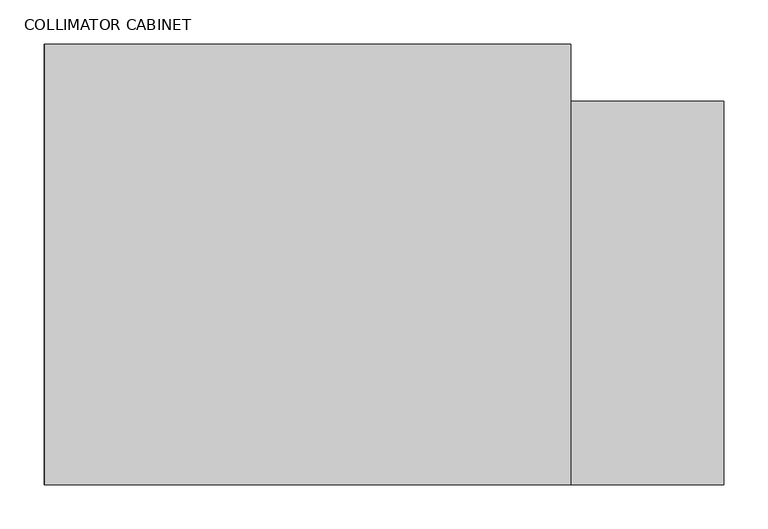
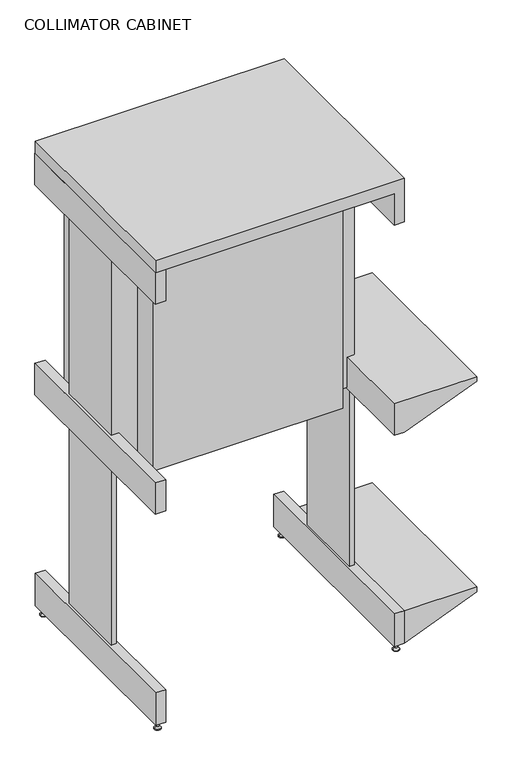
"""IFC4 building model written with IfcOpenShell, lengths in millimetres: proxy geometry, COLLIMATOR CABINET."""

from ifc_helpers import new_model, si_unit, frame, origin, place, context, project, spatial, polyline, circle_curve, outline, extrude, faceted_brep, source, transform, mapped, element, save
from ifc_brep_helpers import plane_surface, cylinder_surface, revolved_surface, advanced_brep


def collimator_cabinet_65d632b5(model_context):
    return source(origin(), model_context, "Body", "SolidModel", [
        advanced_brep(
        [(283.21, -487.68, 19.05), (289.56, -487.68, 19.05), (286.385, -487.68, 19.05), (283.21, -487.68, 6.35), (289.56, -487.68, 6.35), (278.7198719, -487.68, 1.8598719), (294.0501281, -487.68, 1.8598719), (278.7198719, -487.68, 0.0), (294.0501281, -487.68, 0.0), (286.385, -487.68, 0.0)],
        [
            (0, 1, circle_curve(frame((286.385, -487.68, 19.05), z_axis=(0.0, 0.0, 1.0), x_axis=(1.0, 0.0, 0.0)), 3.175)),
            (1, 2),
            (2, 0),
            (1, 0, circle_curve(frame((286.385, -487.68, 19.05), z_axis=(0.0, 0.0, 1.0), x_axis=(1.0, 0.0, 0.0)), 3.175)),
            (3, 4, circle_curve(frame((286.385, -487.68, 6.35), z_axis=(0.0, 0.0, 1.0), x_axis=(1.0, 0.0, 0.0)), 3.175)),
            (4, 1),
            (0, 3),
            (4, 3, circle_curve(frame((286.385, -487.68, 6.35), z_axis=(0.0, 0.0, 1.0), x_axis=(1.0, 0.0, 0.0)), 3.175)),
            (5, 6, circle_curve(frame((286.385, -487.68, 1.8598719), z_axis=(0.0, 0.0, 1.0), x_axis=(1.0, 0.0, 0.0)), 7.6651281)),
            (6, 4),
            (3, 5),
            (6, 5, circle_curve(frame((286.385, -487.68, 1.8598719), z_axis=(0.0, 0.0, 1.0), x_axis=(1.0, 0.0, 0.0)), 7.6651281)),
            (7, 8, circle_curve(frame((286.385, -487.68, 0.0), z_axis=(0.0, 0.0, 1.0), x_axis=(1.0, 0.0, 0.0)), 7.6651281)),
            (8, 6),
            (5, 7),
            (8, 7, circle_curve(frame((286.385, -487.68, 0.0), z_axis=(0.0, 0.0, 1.0), x_axis=(1.0, 0.0, 0.0)), 7.6651281)),
            (9, 8),
            (7, 9),
        ],
        [
            plane_surface(frame((286.385, -487.68, 19.05), z_axis=(0.0, 0.0, 1.0), x_axis=(1.0, 0.0, 0.0))),
            cylinder_surface(frame((286.385, -487.68, 21.5298437), z_axis=(0.0, 0.0, -1.0), x_axis=(1.0, 0.0, 0.0)), 3.175),
            revolved_surface(polyline([(289.56, -487.68, 6.35), (294.0501281, -487.68, 1.8598719)]), (286.385, -487.68, 21.5298437), (0.0, 0.0, -1.0)),
            cylinder_surface(frame((286.385, -487.68, 21.5298437), z_axis=(0.0, 0.0, -1.0), x_axis=(1.0, 0.0, 0.0)), 7.6651281),
            plane_surface(frame((286.385, -487.68, 0.0), z_axis=(0.0, 0.0, -1.0), x_axis=(1.0, 0.0, 0.0))),
        ],
        [
            (0, [[1, 2, 3]]),
            (0, [[4, -3, -2]]),
            (1, [[5, 6, -1, 7]]),
            (1, [[8, -7, -4, -6]]),
            (2, [[9, 10, -5, 11]]),
            (2, [[12, -11, -8, -10]]),
            (3, [[13, 14, -9, 15]]),
            (3, [[16, -15, -12, -14]]),
            (4, [[17, -13, 18]]),
            (4, [[-18, -16, -17]]),
        ],
    ),
        extrude(outline(polyline([(-274.32, -500.38), (-298.45, -500.38), (-298.45, 0.0), (-274.32, 0.0), (-274.32, -500.38)])), frame((0.0, 0.0, 19.05), z_axis=(0.0, 0.0, 1.0), x_axis=(1.0, 0.0, 0.0)), (0.0, 0.0, 1.0), 82.55),
        extrude(outline(polyline([(298.45, -500.38), (274.32, -500.38), (274.32, 0.0), (298.45, 0.0), (298.45, -500.38)])), frame((0.0, 0.0, 19.05), z_axis=(0.0, 0.0, 1.0), x_axis=(1.0, 0.0, 0.0)), (0.0, 0.0, 1.0), 82.55),
        faceted_brep([(473.075, -500.38, 101.6), (292.1, -500.38, 101.6), (292.1, -500.38, 19.05), (298.45, -500.38, 19.05), (473.075, -500.38, 88.9), (298.45, -500.38, 555.1912423), (473.075, -500.38, 622.3547038), (473.075, -500.38, 635.0), (274.32, -500.38, 635.0), (274.32, -500.38, 555.1912423), (473.075, -65.0494, 101.6), (473.075, -65.0494, 88.9), (298.45, -65.0494, 19.05), (292.1, -65.0494, 19.05), (292.1, -65.0494, 101.6), (473.075, -65.0494, 635.0), (473.075, -65.0494, 622.3547038), (298.45, -65.0494, 555.1912423), (298.463183, -65.0494, 635.0), (292.1, -129.7904998, 101.6), (292.1, -304.8, 101.6), (292.1, -304.8, 41.9421995), (292.1, -129.7904998, 41.9421995), (311.8066286, -76.2, 24.3926514), (311.8066286, -488.95, 24.3926514), (463.9163462, -488.95, 85.2365385), (463.9163462, -76.2, 85.2365385), (298.463183, 0.0, 635.0), (274.32, 0.0, 635.0), (274.32, -129.7904998, 635.0), (292.1, -129.7904998, 635.0), (292.1, -304.8, 635.0), (274.32, -304.8, 635.0), (274.32, 0.0, 555.1912423), (298.463183, 0.0, 555.1912423), (279.4, -304.8, 555.1912423), (292.1, -304.8, 555.1912423), (292.1, -129.7904998, 555.1912423), (279.4, -129.7904998, 555.1912423), (311.8066286, -76.2, 560.3284071), (311.8066286, -488.95, 560.3284071), (463.55, -488.95, 618.6912423), (463.55, -76.2, 618.6912423), (311.8066286, -76.2, 618.6912423), (311.8066286, -488.95, 618.6912423), (311.8066286, -76.2, 85.2365385), (311.8066286, -488.95, 85.2365385), (274.32, -304.8, 558.8), (274.32, -129.7904998, 558.8), (228.6, -304.8, 1168.4), (228.6, -304.8, 558.8), (292.1, -304.8, 1088.5912423), (274.32, -304.8, 1088.5912423), (274.32, -304.8, 1168.4), (279.4, -304.8, 41.9421995), (-292.1, -304.8, 48.18161), (-279.4, -304.8, 48.18161), (-279.4, -304.8, 552.45), (-228.6, -304.8, 552.45), (-228.6, -304.8, 1168.4), (-292.1, -304.8, 1168.4), (-292.1, -304.8, 635.0), (-274.32, -304.8, 635.0), (-274.32, -304.8, 555.1912423), (-292.1, -304.8, 555.1912423), (-228.6, -129.7904998, 1168.4), (-228.6, -129.7904998, 552.45), (-279.4, -129.7904998, 552.45), (-279.4, -129.7904998, 48.18161), (-292.1, -129.7904998, 48.18161), (-292.1, -129.7904998, 555.1912423), (-274.32, -129.7904998, 555.1912423), (-274.32, -129.7904998, 635.0), (-292.1, -129.7904998, 635.0), (-292.1, -129.7904998, 1168.4), (279.4, -129.7904998, 41.9421995), (228.6, -129.7904998, 558.8), (228.6, -129.7904998, 1168.4), (274.32, -129.7904998, 1168.4), (274.32, -129.7904998, 1088.5912423), (292.1, -129.7904998, 1088.5912423), (274.32, -500.38, 1168.4), (-298.45, -500.38, 1168.4), (-298.45, 0.0, 1168.4), (274.32, 0.0, 1168.4), (299.22723, -500.38, 1198.88), (-298.45, -500.38, 1198.88), (274.32, -500.38, 1088.5912423), (299.22723, -500.38, 1088.5912423), (299.22723, 0.0, 1088.5912423), (274.32, 0.0, 1088.5912423), (-298.45, 0.0, 1198.88), (299.22723, 0.0, 1198.88), (-274.32, 0.0, 555.1912423), (-274.32, 0.0, 635.0), (-274.32, -500.38, 635.0), (-274.32, -500.38, 555.1912423), (-299.22723, 0.0, 555.1912423), (-299.22723, -500.38, 555.1912423), (-299.22723, -500.38, 635.0), (-299.22723, 0.0, 635.0)], [[[0, 1, 2, 3, 4]], [[5, 6, 7, 8, 9]], [[10, 11, 12, 13, 14]], [[15, 16, 17, 18]], [[1, 0, 10, 14, 19, 20]], [[2, 1, 20, 21, 22, 19, 14, 13]], [[3, 2, 13, 12]], [[4, 3, 12, 11], [23, 24, 25, 26]], [[0, 4, 11, 10]], [[7, 15, 18, 27, 28, 29, 30, 31, 32, 8]], [[17, 5, 9, 33, 34], [35, 36, 37, 38]], [[6, 5, 17, 16], [39, 40, 41, 42]], [[7, 6, 16, 15]], [[43, 44, 40, 39]], [[45, 46, 24, 23]], [[40, 44, 41]], [[43, 39, 42]], [[44, 43, 42, 41]], [[24, 46, 25]], [[45, 23, 26]], [[46, 45, 26, 25]], [[33, 9, 8, 32, 47, 48, 29, 28]], [[34, 27, 18, 17]], [[33, 28, 27, 34]], [[49, 50, 47, 32, 31, 51, 52, 53]], [[54, 21, 20, 36, 35]], [[55, 56, 57, 58, 59, 60, 61, 62, 63, 64]], [[65, 66, 67, 68, 69, 70, 71, 72, 73, 74]], [[22, 75, 38, 37, 19]], [[76, 77, 78, 79, 80, 30, 29, 48]], [[77, 49, 53, 81, 82, 83, 84, 78], [59, 65, 74, 60]], [[50, 49, 77, 76]], [[50, 76, 48, 47]], [[75, 54, 35, 38]], [[21, 54, 75, 22]], [[31, 30, 80, 51]], [[36, 20, 19, 37]], [[60, 74, 73, 61]], [[69, 55, 64, 70]], [[56, 55, 69, 68]], [[57, 56, 68, 67]], [[58, 57, 67, 66]], [[59, 58, 66, 65]], [[85, 86, 82, 81, 87, 88]], [[89, 90, 84, 83, 91, 92]], [[86, 85, 92, 91]], [[82, 86, 91, 83]], [[85, 88, 89, 92]], [[93, 94, 72, 71]], [[95, 96, 63, 62]], [[97, 98, 99, 100]], [[94, 93, 97, 100]], [[100, 99, 95, 62, 61, 73, 72, 94]], [[96, 95, 99, 98]], [[98, 97, 93, 71, 70, 64, 63, 96]], [[87, 81, 53, 52]], [[84, 90, 79, 78]], [[89, 88, 87, 52, 51, 80, 79, 90]]]),
        extrude(outline(polyline([(-274.32, 0.0), (-274.32, -500.38), (-299.22723, -500.38), (-299.22723, 0.0), (-274.32, 0.0)])), frame((0.0, 0.0, 1088.5912423), z_axis=(0.0, 0.0, 1.0), x_axis=(1.0, 0.0, 0.0)), (0.0, 0.0, 1.0), 79.8087577),
        advanced_brep(
        [(-278.7198719, -487.68, 0.0), (-294.0501281, -487.68, 0.0), (-286.385, -487.68, 0.0), (-278.7198719, -487.68, 1.8598719), (-294.0501281, -487.68, 1.8598719), (-283.21, -487.68, 6.35), (-289.56, -487.68, 6.35), (-283.21, -487.68, 19.05), (-289.56, -487.68, 19.05), (-286.385, -487.68, 19.05)],
        [
            (0, 1, circle_curve(frame((-286.385, -487.68, 0.0), z_axis=(0.0, 0.0, -1.0), x_axis=(-1.0, 0.0, 0.0)), 7.6651281)),
            (1, 2),
            (2, 0),
            (1, 0, circle_curve(frame((-286.385, -487.68, 0.0), z_axis=(0.0, 0.0, -1.0), x_axis=(-1.0, 0.0, 0.0)), 7.6651281)),
            (3, 4, circle_curve(frame((-286.385, -487.68, 1.8598719), z_axis=(0.0, 0.0, -1.0), x_axis=(-1.0, 0.0, 0.0)), 7.6651281)),
            (4, 1),
            (0, 3),
            (4, 3, circle_curve(frame((-286.385, -487.68, 1.8598719), z_axis=(0.0, 0.0, -1.0), x_axis=(-1.0, 0.0, 0.0)), 7.6651281)),
            (5, 6, circle_curve(frame((-286.385, -487.68, 6.35), z_axis=(0.0, 0.0, -1.0), x_axis=(-1.0, 0.0, 0.0)), 3.175)),
            (6, 4),
            (3, 5),
            (6, 5, circle_curve(frame((-286.385, -487.68, 6.35), z_axis=(0.0, 0.0, -1.0), x_axis=(-1.0, 0.0, 0.0)), 3.175)),
            (7, 8, circle_curve(frame((-286.385, -487.68, 19.05), z_axis=(0.0, 0.0, -1.0), x_axis=(-1.0, 0.0, 0.0)), 3.175)),
            (8, 6),
            (5, 7),
            (8, 7, circle_curve(frame((-286.385, -487.68, 19.05), z_axis=(0.0, 0.0, -1.0), x_axis=(-1.0, 0.0, 0.0)), 3.175)),
            (9, 8),
            (7, 9),
        ],
        [
            plane_surface(frame((-286.385, -487.68, 0.0), z_axis=(0.0, 0.0, -1.0), x_axis=(-1.0, 0.0, 0.0))),
            cylinder_surface(frame((-286.385, -487.68, 21.5298437), z_axis=(0.0, 0.0, 1.0), x_axis=(-1.0, 0.0, 0.0)), 7.6651281),
            revolved_surface(polyline([(-294.0501281, -487.68, 1.8598719), (-289.56, -487.68, 6.35)]), (-286.385, -487.68, 21.5298437), (0.0, 0.0, 1.0)),
            cylinder_surface(frame((-286.385, -487.68, 21.5298437), z_axis=(0.0, 0.0, 1.0), x_axis=(-1.0, 0.0, 0.0)), 3.175),
            plane_surface(frame((-286.385, -487.68, 19.05), z_axis=(0.0, 0.0, 1.0), x_axis=(-1.0, 0.0, 0.0))),
        ],
        [
            (0, [[1, 2, 3]]),
            (0, [[4, -3, -2]]),
            (1, [[5, 6, -1, 7]]),
            (1, [[8, -7, -4, -6]]),
            (2, [[9, 10, -5, 11]]),
            (2, [[12, -11, -8, -10]]),
            (3, [[13, 14, -9, 15]]),
            (3, [[16, -15, -12, -14]]),
            (4, [[17, -13, 18]]),
            (4, [[-18, -16, -17]]),
        ],
    ),
        advanced_brep(
        [(278.7198719, -12.7, 0.0), (294.0501281, -12.7, 0.0), (286.385, -12.7, 0.0), (278.7198719, -12.7, 1.8598719), (294.0501281, -12.7, 1.8598719), (283.21, -12.7, 6.35), (289.56, -12.7, 6.35), (283.21, -12.7, 19.05), (289.56, -12.7, 19.05), (286.385, -12.7, 19.05)],
        [
            (0, 1, circle_curve(frame((286.385, -12.7, 0.0), z_axis=(0.0, 0.0, -1.0), x_axis=(1.0, 0.0, 0.0)), 7.6651281)),
            (1, 2),
            (2, 0),
            (1, 0, circle_curve(frame((286.385, -12.7, 0.0), z_axis=(0.0, 0.0, -1.0), x_axis=(1.0, 0.0, 0.0)), 7.6651281)),
            (3, 4, circle_curve(frame((286.385, -12.7, 1.8598719), z_axis=(0.0, 0.0, -1.0), x_axis=(1.0, 0.0, 0.0)), 7.6651281)),
            (4, 1),
            (0, 3),
            (4, 3, circle_curve(frame((286.385, -12.7, 1.8598719), z_axis=(0.0, 0.0, -1.0), x_axis=(1.0, 0.0, 0.0)), 7.6651281)),
            (5, 6, circle_curve(frame((286.385, -12.7, 6.35), z_axis=(0.0, 0.0, -1.0), x_axis=(1.0, 0.0, 0.0)), 3.175)),
            (6, 4),
            (3, 5),
            (6, 5, circle_curve(frame((286.385, -12.7, 6.35), z_axis=(0.0, 0.0, -1.0), x_axis=(1.0, 0.0, 0.0)), 3.175)),
            (7, 8, circle_curve(frame((286.385, -12.7, 19.05), z_axis=(0.0, 0.0, -1.0), x_axis=(1.0, 0.0, 0.0)), 3.175)),
            (8, 6),
            (5, 7),
            (8, 7, circle_curve(frame((286.385, -12.7, 19.05), z_axis=(0.0, 0.0, -1.0), x_axis=(1.0, 0.0, 0.0)), 3.175)),
            (9, 8),
            (7, 9),
        ],
        [
            plane_surface(frame((286.385, -12.7, 0.0), z_axis=(0.0, 0.0, -1.0), x_axis=(1.0, 0.0, 0.0))),
            cylinder_surface(frame((286.385, -12.7, 21.5298437), z_axis=(0.0, 0.0, 1.0), x_axis=(1.0, 0.0, 0.0)), 7.6651281),
            revolved_surface(polyline([(294.0501281, -12.7, 1.8598719), (289.56, -12.7, 6.35)]), (286.385, -12.7, 21.5298437), (0.0, 0.0, 1.0)),
            cylinder_surface(frame((286.385, -12.7, 21.5298437), z_axis=(0.0, 0.0, 1.0), x_axis=(1.0, 0.0, 0.0)), 3.175),
            plane_surface(frame((286.385, -12.7, 19.05), z_axis=(0.0, 0.0, 1.0), x_axis=(1.0, 0.0, 0.0))),
        ],
        [
            (0, [[1, 2, 3]]),
            (0, [[4, -3, -2]]),
            (1, [[5, 6, -1, 7]]),
            (1, [[8, -7, -4, -6]]),
            (2, [[9, 10, -5, 11]]),
            (2, [[12, -11, -8, -10]]),
            (3, [[13, 14, -9, 15]]),
            (3, [[16, -15, -12, -14]]),
            (4, [[17, -13, 18]]),
            (4, [[-18, -16, -17]]),
        ],
    ),
        advanced_brep(
        [(-283.21, -12.7, 19.05), (-289.56, -12.7, 19.05), (-286.385, -12.7, 19.05), (-283.21, -12.7, 6.35), (-289.56, -12.7, 6.35), (-278.7198719, -12.7, 1.8598719), (-294.0501281, -12.7, 1.8598719), (-278.7198719, -12.7, 0.0), (-294.0501281, -12.7, 0.0), (-286.385, -12.7, 0.0)],
        [
            (0, 1, circle_curve(frame((-286.385, -12.7, 19.05), z_axis=(0.0, 0.0, 1.0), x_axis=(-1.0, 0.0, 0.0)), 3.175)),
            (1, 2),
            (2, 0),
            (1, 0, circle_curve(frame((-286.385, -12.7, 19.05), z_axis=(0.0, 0.0, 1.0), x_axis=(-1.0, 0.0, 0.0)), 3.175)),
            (3, 4, circle_curve(frame((-286.385, -12.7, 6.35), z_axis=(0.0, 0.0, 1.0), x_axis=(-1.0, 0.0, 0.0)), 3.175)),
            (4, 1),
            (0, 3),
            (4, 3, circle_curve(frame((-286.385, -12.7, 6.35), z_axis=(0.0, 0.0, 1.0), x_axis=(-1.0, 0.0, 0.0)), 3.175)),
            (5, 6, circle_curve(frame((-286.385, -12.7, 1.8598719), z_axis=(0.0, 0.0, 1.0), x_axis=(-1.0, 0.0, 0.0)), 7.6651281)),
            (6, 4),
            (3, 5),
            (6, 5, circle_curve(frame((-286.385, -12.7, 1.8598719), z_axis=(0.0, 0.0, 1.0), x_axis=(-1.0, 0.0, 0.0)), 7.6651281)),
            (7, 8, circle_curve(frame((-286.385, -12.7, 0.0), z_axis=(0.0, 0.0, 1.0), x_axis=(-1.0, 0.0, 0.0)), 7.6651281)),
            (8, 6),
            (5, 7),
            (8, 7, circle_curve(frame((-286.385, -12.7, 0.0), z_axis=(0.0, 0.0, 1.0), x_axis=(-1.0, 0.0, 0.0)), 7.6651281)),
            (9, 8),
            (7, 9),
        ],
        [
            plane_surface(frame((-286.385, -12.7, 19.05), z_axis=(0.0, 0.0, 1.0), x_axis=(-1.0, 0.0, 0.0))),
            cylinder_surface(frame((-286.385, -12.7, 21.5298437), z_axis=(0.0, 0.0, -1.0), x_axis=(-1.0, 0.0, 0.0)), 3.175),
            revolved_surface(polyline([(-289.56, -12.7, 6.35), (-294.0501281, -12.7, 1.8598719)]), (-286.385, -12.7, 21.5298437), (0.0, 0.0, -1.0)),
            cylinder_surface(frame((-286.385, -12.7, 21.5298437), z_axis=(0.0, 0.0, -1.0), x_axis=(-1.0, 0.0, 0.0)), 7.6651281),
            plane_surface(frame((-286.385, -12.7, 0.0), z_axis=(0.0, 0.0, -1.0), x_axis=(-1.0, 0.0, 0.0))),
        ],
        [
            (0, [[1, 2, 3]]),
            (0, [[4, -3, -2]]),
            (1, [[5, 6, -1, 7]]),
            (1, [[8, -7, -4, -6]]),
            (2, [[9, 10, -5, 11]]),
            (2, [[12, -11, -8, -10]]),
            (3, [[13, 14, -9, 15]]),
            (3, [[16, -15, -12, -14]]),
            (4, [[17, -13, 18]]),
            (4, [[-18, -16, -17]]),
        ],
    ),
        extrude(outline(polyline([(228.6, -367.2891346), (-228.6, -367.2891346), (-228.6, 0.0), (228.6, 0.0), (228.6, -367.2891346)])), frame((0.0, 0.0, 558.8), z_axis=(0.0, 0.0, 1.0), x_axis=(1.0, 0.0, 0.0)), (0.0, 0.0, 1.0), 571.5),
    ])


if __name__ == "__main__":
    model = new_model("IFC4")
    model_context = context("Model", 3, world=origin())
    ifc_project = project(units=[si_unit("LENGTHUNIT", "METRE", prefix="MILLI")], contexts=[model_context])
    site = spatial("IfcSite", under=ifc_project)
    building = spatial("IfcBuilding", under=site)
    placement = place(None, origin())
    collimator_cabinet_shape = collimator_cabinet_65d632b5(model_context)
    element("IfcBuildingElementProxy", 1, Name="COLLIMATOR CABINET", ObjectType="COLLIMATOR CABINET", at=placement, inside=building, context=model_context, shape_type="MappedRepresentation", body=[
        mapped(collimator_cabinet_shape, transform((0.0, 0.0, 0.0), x_axis=(1.0, 0.0, 0.0), y_axis=(0.0, 1.0, 0.0), z_axis=(0.0, 0.0, 1.0))),
    ])
    save(model, "model.ifc")
